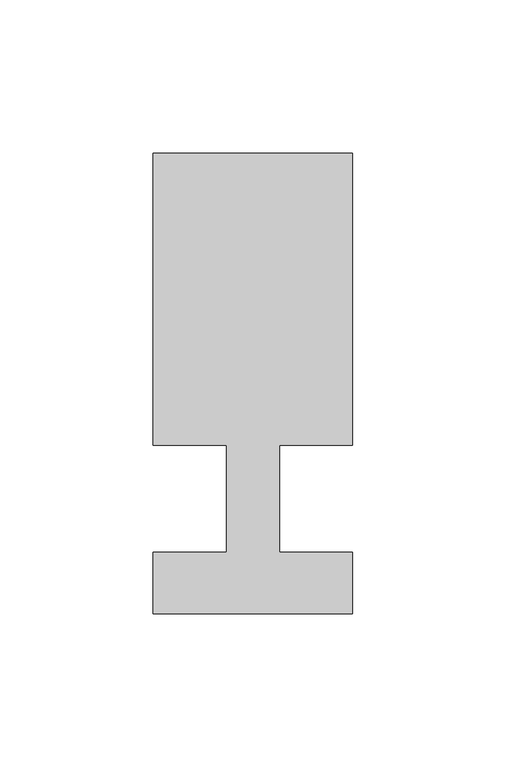
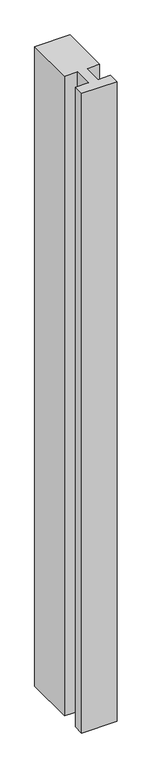
"""IFC4 building model written with IfcOpenShell, lengths in millimetres: member geometry."""

from ifc_helpers import new_model, si_unit, frame, origin, place, context, project, spatial, polyline, outline, extrude, source, transform, mapped, element, save


def member_7ec912bd(model_context):
    return source(origin(), model_context, "Body", "SweptSolid", [
        extrude(outline(polyline([(-65.0, -37.0), (-65.0, -17.0), (-41.1875, -17.0), (-41.1875, 18.0), (-65.0, 18.0), (-65.0, 113.0), (0.0, 113.0), (0.0, 18.0), (-23.8125, 18.0), (-23.8125, -17.0), (0.0, -17.0), (0.0, -37.0), (-65.0, -37.0)])), frame((0.0, 0.0, -1245.6666667), z_axis=(0.0, 0.0, 1.0), x_axis=(1.0, 0.0, 0.0)), (0.0, 0.0, 1.0), 1245.6666667),
    ])


if __name__ == "__main__":
    model = new_model("IFC4")
    model_context = context("Model", 3, world=origin())
    ifc_project = project(units=[si_unit("LENGTHUNIT", "METRE", prefix="MILLI")], contexts=[model_context])
    site = spatial("IfcSite", under=ifc_project)
    building = spatial("IfcBuilding", under=site)
    placement = place(None, origin())
    member_shape = member_7ec912bd(model_context)
    element("IfcMember", 1, at=placement, inside=building, context=model_context, shape_type="MappedRepresentation", body=[
        mapped(member_shape, transform((0.0, 0.0, 0.0), x_axis=(1.0, 0.0, 0.0), y_axis=(0.0, 1.0, 0.0), z_axis=(0.0, 0.0, 1.0))),
    ])
    save(model, "model.ifc")
